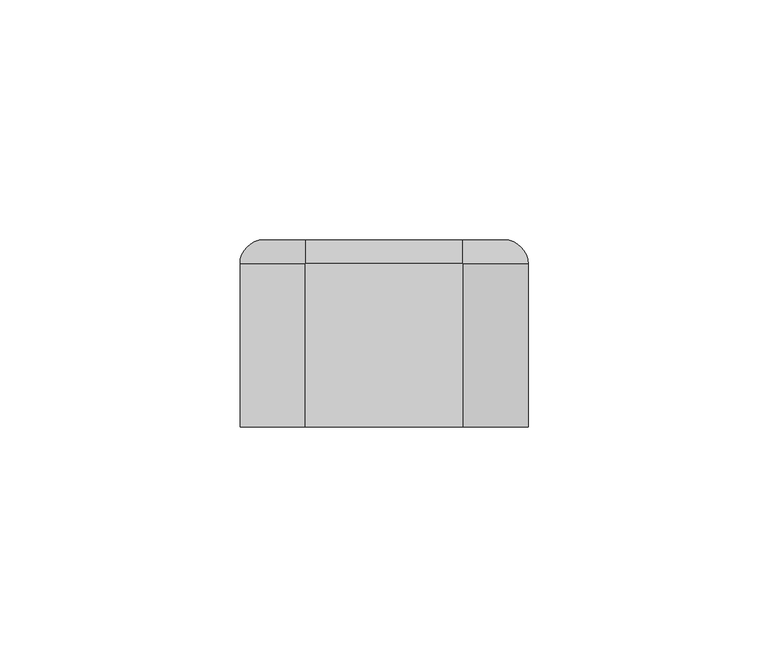
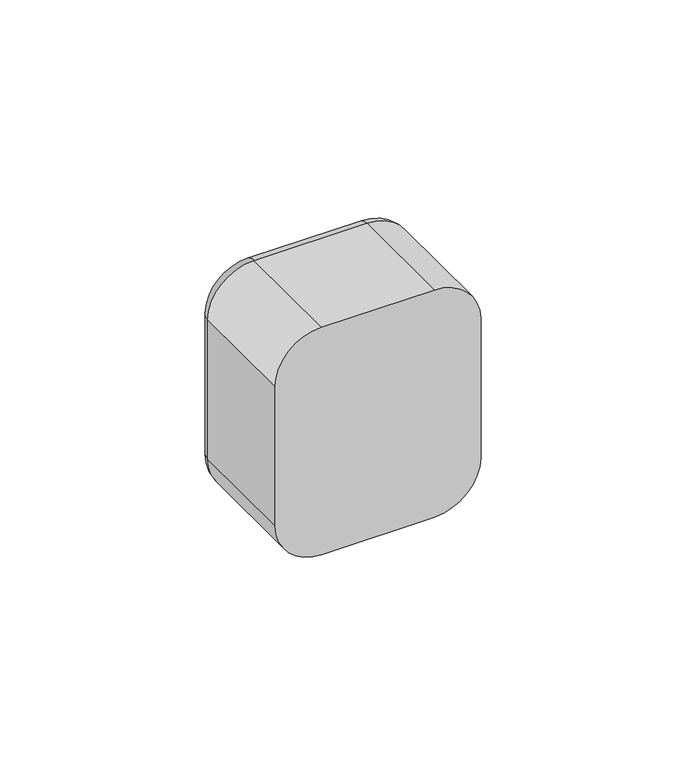
"""IFC4 building model written with IfcOpenShell, lengths in millimetres: electric appliance geometry."""

from ifc_helpers import new_model, si_unit, point, frame, origin, origin_2d, place, context, project, spatial, polyline, circle_curve, ellipse_curve, trimmed, segment, composite_curve, outline, extrude, source, transform, mapped, element, save
from ifc_brep_helpers import plane_surface, cylinder_surface, revolved_surface, advanced_brep


def electric_appliance_2df1f087(model_context):
    return source(origin(), model_context, "Body", "SolidModel", [
        advanced_brep(
        [(16.4328665, 39.0, 30.0), (25.0, 39.0, 21.4328665), (25.0, 39.0, -21.4328665), (16.4328665, 39.0, -30.0), (-16.4328665, 39.0, -30.0), (-25.0, 39.0, -21.4328665), (-25.0, 39.0, 21.4328665), (-16.4328665, 39.0, 30.0), (22.5, 39.0, 22.5), (-22.5, 39.0, 22.5), (-22.5, 39.0, -22.5), (22.5, 39.0, -22.5), (-16.4328665, 0.0, 35.0), (-30.0, 0.0, 21.4328665), (-30.0, 0.0, -21.4328665), (-16.4328665, 0.0, -35.0), (16.4328665, 0.0, -35.0), (30.0, 0.0, -21.4328665), (30.0, 0.0, 21.4328665), (16.4328665, 0.0, 35.0), (22.5, 2.0, -22.5), (22.5, 2.0, 22.5), (-22.5, 2.0, -22.5), (-22.5, 2.0, 22.5), (-30.0, 34.0, 21.4328665), (-30.0, 34.0, -21.4328665), (-16.4328665, 34.0, -35.0), (16.4328665, 34.0, -35.0), (30.0, 34.0, -21.4328665), (30.0, 34.0, 21.4328665), (16.4328665, 34.0000072, 35.0), (-16.4328665, 34.0, 35.0)],
        [
            (0, 1, circle_curve(frame((16.4328665, 39.0, 21.4328665), z_axis=(0.0, 1.0, 0.0), x_axis=(0.0, 0.0, 1.0)), 8.5671335)),
            (1, 2),
            (2, 3, circle_curve(frame((16.4328665, 39.0, -21.4328665), z_axis=(0.0, 1.0, 0.0), x_axis=(1.0, 0.0, 0.0)), 8.5671335)),
            (3, 4),
            (4, 5, circle_curve(frame((-16.4328665, 39.0, -21.4328665), z_axis=(0.0, 1.0, 0.0), x_axis=(0.0, 0.0, -1.0)), 8.5671335)),
            (5, 6),
            (6, 7, circle_curve(frame((-16.4328665, 39.0, 21.4328665), z_axis=(0.0, 1.0, 0.0), x_axis=(-1.0, 0.0, 0.0)), 8.5671335)),
            (7, 0),
            (8, 9),
            (9, 10),
            (10, 11),
            (11, 8),
            (12, 13, circle_curve(frame((-16.4328665, 0.0, 21.4328665), z_axis=(0.0, -1.0, 0.0), x_axis=(1.0, 0.0, 0.0)), 13.5671335)),
            (13, 14),
            (14, 15, circle_curve(frame((-16.4328665, 0.0, -21.4328665), z_axis=(0.0, -1.0, 0.0), x_axis=(1.0, 0.0, 0.0)), 13.5671335)),
            (15, 16),
            (16, 17, circle_curve(frame((16.4328665, 0.0, -21.4328665), z_axis=(0.0, -1.0, 0.0), x_axis=(1.0, 0.0, 0.0)), 13.5671335)),
            (17, 18),
            (18, 19, circle_curve(frame((16.4328665, 0.0, 21.4328665), z_axis=(0.0, -1.0, 0.0), x_axis=(1.0, 0.0, 0.0)), 13.5671335)),
            (19, 12),
            (11, 20),
            (20, 21),
            (21, 8),
            (10, 22),
            (22, 20),
            (9, 23),
            (23, 22),
            (21, 23),
            (13, 24),
            (24, 25),
            (25, 14),
            (15, 26),
            (26, 27),
            (27, 16),
            (17, 28),
            (28, 29),
            (29, 18),
            (19, 30),
            (30, 31),
            (31, 12),
            (31, 24, circle_curve(frame((-16.4328665, 34.0, 21.4328665), z_axis=(0.0, -1.0, 0.0), x_axis=(1.0, 0.0, 0.0)), 13.5671335)),
            (25, 26, circle_curve(frame((-16.4328665, 34.0, -21.4328665), z_axis=(0.0, -1.0, 0.0), x_axis=(1.0, 0.0, 0.0)), 13.5671335)),
            (27, 28, circle_curve(frame((16.4328665, 34.0, -21.4328665), z_axis=(0.0, -1.0, 0.0), x_axis=(1.0, 0.0, 0.0)), 13.5671335)),
            (29, 30, circle_curve(frame((16.4328665, 34.0, 21.4328665), z_axis=(0.0, -1.0, 0.0), x_axis=(1.0, 0.0, 0.0)), 13.5671335)),
            (29, 1, circle_curve(frame((25.0, 34.0, 21.4328665), z_axis=(0.0, 0.0, 1.0), x_axis=(0.0, 1.0, 0.0)), 5.0)),
            (0, 30, circle_curve(frame((16.4328665, 34.0, 30.0), z_axis=(1.0, 0.0, 0.0), x_axis=(0.0, 1.0, 0.0)), 5.0)),
            (28, 2, circle_curve(frame((25.0, 34.0, -21.4328665), z_axis=(0.0, 0.0, 1.0), x_axis=(0.0, 1.0, 0.0)), 5.0)),
            (27, 3, circle_curve(frame((16.4328665, 34.0, -30.0), z_axis=(1.0, 0.0, 0.0), x_axis=(0.0, 1.0, 0.0)), 5.0)),
            (26, 4, circle_curve(frame((-16.4328665, 34.0, -30.0), z_axis=(1.0, 0.0, 0.0), x_axis=(0.0, 1.0, 0.0)), 5.0)),
            (25, 5, circle_curve(frame((-25.0, 34.0, -21.4328665), z_axis=(0.0, 0.0, -1.0), x_axis=(0.0, 1.0, 0.0)), 5.0)),
            (24, 6, circle_curve(frame((-25.0, 34.0, 21.4328665), z_axis=(0.0, 0.0, -1.0), x_axis=(0.0, 1.0, 0.0)), 5.0)),
            (31, 7, circle_curve(frame((-16.4328665, 34.0, 30.0), z_axis=(-1.0, 0.0, 0.0), x_axis=(0.0, 1.0, 0.0)), 5.0)),
        ],
        [
            plane_surface(frame((22.5, 39.0, 6.9412233), z_axis=(0.0, 1.0, 0.0), x_axis=(0.0, 0.0, 1.0))),
            plane_surface(frame((22.5, 0.0, 6.9412233), z_axis=(0.0, -1.0, 0.0), x_axis=(0.0, 0.0, -1.0))),
            plane_surface(frame((22.5, 0.0, 22.5), z_axis=(-1.0, 0.0, 0.0), x_axis=(0.0, 1.0, 0.0))),
            plane_surface(frame((22.5, 0.0, -22.5), z_axis=(0.0, 0.0, 1.0), x_axis=(0.0, 1.0, 0.0))),
            plane_surface(frame((-22.5, 0.0, -22.5), z_axis=(1.0, 0.0, 0.0), x_axis=(0.0, 1.0, 0.0))),
            plane_surface(frame((-22.5, 0.0, 22.5), z_axis=(0.0, 0.0, -1.0), x_axis=(0.0, 1.0, 0.0))),
            plane_surface(frame((-30.0, 0.0, 21.4328665), z_axis=(-1.0, 0.0, 0.0), x_axis=(0.0, 1.0, 0.0))),
            plane_surface(frame((-16.4328665, 0.0, -35.0), z_axis=(0.0, 0.0, -1.0), x_axis=(0.0, 1.0, 0.0))),
            plane_surface(frame((30.0, 0.0, -21.4328665), z_axis=(1.0, 0.0, 0.0), x_axis=(0.0, 1.0, 0.0))),
            plane_surface(frame((16.4328665, 0.0, 35.0), z_axis=(0.0, 0.0, 1.0), x_axis=(0.0, 1.0, 0.0))),
            cylinder_surface(frame((-16.4328665, 0.0, 21.4328665), z_axis=(0.0, -1.0, 0.0), x_axis=(1.0, 0.0, 0.0)), 13.5671335),
            cylinder_surface(frame((-16.4328665, 0.0, -21.4328665), z_axis=(0.0, -1.0, 0.0), x_axis=(1.0, 0.0, 0.0)), 13.5671335),
            cylinder_surface(frame((16.4328665, 0.0, -21.4328665), z_axis=(0.0, -1.0, 0.0), x_axis=(1.0, 0.0, 0.0)), 13.5671335),
            cylinder_surface(frame((16.4328665, 0.0, 21.4328665), z_axis=(0.0, -1.0, 0.0), x_axis=(1.0, 0.0, 0.0)), 13.5671335),
            plane_surface(frame((-22.5, 2.0, 31.0), z_axis=(0.0, 1.0, 0.0), x_axis=(0.0, 0.0, 1.0))),
            revolved_surface(trimmed(ellipse_curve(frame((16.4328665, 34.0, 30.0), z_axis=(-1.0, 0.0, 0.0), x_axis=(0.0, 1.0, 0.0)), 5.0, 5.0), [point((16.4328665, 34.0, 35.0))], [point((16.4328665, 39.0, 30.0))], True, "CARTESIAN"), (16.4328665, 39.0, 21.4328665), (0.0, 1.0, 0.0)),
            cylinder_surface(frame((25.0, 34.0, 21.4328665), z_axis=(0.0, 0.0, -1.0), x_axis=(0.0, 1.0, 0.0)), 5.0),
            revolved_surface(trimmed(ellipse_curve(frame((25.0, 34.0, -21.4328665), z_axis=(0.0, 0.0, 1.0), x_axis=(0.0, 1.0, 0.0)), 5.0, 5.0), [point((30.0, 34.0, -21.4328665))], [point((25.0, 39.0, -21.4328665))], True, "CARTESIAN"), (16.4328665, 39.0, -21.4328665), (0.0, 1.0, 0.0)),
            cylinder_surface(frame((16.4328665, 34.0, -30.0), z_axis=(-1.0, 0.0, 0.0), x_axis=(0.0, 1.0, 0.0)), 5.0),
            revolved_surface(trimmed(ellipse_curve(frame((-16.4328665, 34.0, -30.0), z_axis=(1.0, 0.0, 0.0), x_axis=(0.0, 1.0, 0.0)), 5.0, 5.0), [point((-16.4328665, 34.0, -35.0))], [point((-16.4328665, 39.0, -30.0))], True, "CARTESIAN"), (-16.4328665, 39.0, -21.4328665), (0.0, 1.0, 0.0)),
            cylinder_surface(frame((-25.0, 34.0, -21.4328665), z_axis=(0.0, 0.0, 1.0), x_axis=(0.0, 1.0, 0.0)), 5.0),
            revolved_surface(trimmed(ellipse_curve(frame((-25.0, 34.0, 21.4328665), z_axis=(0.0, 0.0, -1.0), x_axis=(0.0, 1.0, 0.0)), 5.0, 5.0), [point((-30.0, 34.0, 21.4328665))], [point((-25.0, 39.0, 21.4328665))], True, "CARTESIAN"), (-16.4328665, 39.0, 21.4328665), (0.0, 1.0, 0.0)),
            cylinder_surface(frame((-16.4328665, 34.0, 30.0), z_axis=(1.0, 0.0, 0.0), x_axis=(0.0, 1.0, 0.0)), 5.0),
        ],
        [
            (0, [[1, 2, 3, 4, 5, 6, 7, 8], [9, 10, 11, 12]]),
            (1, [[13, 14, 15, 16, 17, 18, 19, 20]]),
            (2, [[-12, 21, 22, 23]]),
            (3, [[-11, 24, 25, -21]]),
            (4, [[-10, 26, 27, -24]]),
            (5, [[-9, -23, 28, -26]]),
            (6, [[-14, 29, 30, 31]]),
            (7, [[-16, 32, 33, 34]]),
            (8, [[-18, 35, 36, 37]]),
            (9, [[-20, 38, 39, 40]]),
            (10, [[-13, -40, 41, -29]]),
            (11, [[-15, -31, 42, -32]]),
            (12, [[-17, -34, 43, -35]]),
            (13, [[-19, -37, 44, -38]]),
            (14, [[-22, -25, -27, -28]]),
            (15, [[45, -1, 46, -44]]),
            (16, [[-45, -36, 47, -2]]),
            (17, [[-47, -43, 48, -3]]),
            (18, [[-48, -33, 49, -4]]),
            (19, [[-49, -42, 50, -5]]),
            (20, [[-50, -30, 51, -6]]),
            (21, [[-51, -41, 52, -7]]),
            (22, [[-46, -8, -52, -39]]),
        ],
    ),
        extrude(outline(polyline([(22.5, 22.5), (22.5, -22.5), (-22.5, -22.5), (-22.5, 22.5), (22.5, 22.5)]), holes=[composite_curve([segment(trimmed(circle_curve(origin_2d(), 6.1), [point((0.0, 6.1))], [point((0.0, -6.1))], True, "CARTESIAN"), True, "CONTINUOUS"), segment(trimmed(circle_curve(origin_2d(), 6.1), [point((0.0, -6.1))], [point((0.0, 6.1))], True, "CARTESIAN"), True, "CONTINUOUS")], self_intersect=False)]), frame((0.0, 31.0, 0.0), z_axis=(0.0, 1.0, 0.0), x_axis=(0.0, 0.0, 1.0)), (0.0, 0.0, 1.0), 8.0),
        extrude(outline(composite_curve([segment(trimmed(circle_curve(origin_2d(), 1.9), [point((0.0, 1.9))], [point((0.0, -1.9))], False, "CARTESIAN"), True, "CONTINUOUS"), segment(trimmed(circle_curve(origin_2d(), 1.9), [point((0.0, -1.9))], [point((0.0, 1.9))], False, "CARTESIAN"), True, "CONTINUOUS")], self_intersect=False), holes=[composite_curve([segment(trimmed(circle_curve(origin_2d(), 1.6), [point((0.0, -1.6))], [point((0.0, 1.6))], True, "CARTESIAN"), True, "CONTINUOUS"), segment(trimmed(circle_curve(origin_2d(), 1.6), [point((0.0, 1.6))], [point((0.0, -1.6))], True, "CARTESIAN"), True, "CONTINUOUS")], self_intersect=False)]), frame((0.0, 31.0, 0.0), z_axis=(0.0, 1.0, 0.0), x_axis=(0.0, 0.0, 1.0)), (0.0, 0.0, 1.0), 8.0),
        extrude(outline(composite_curve([segment(trimmed(circle_curve(origin_2d(), 5.8), [point((0.0, 5.8))], [point((0.0, -5.8))], False, "CARTESIAN"), True, "CONTINUOUS"), segment(trimmed(circle_curve(origin_2d(), 5.8), [point((0.0, -5.8))], [point((0.0, 5.8))], False, "CARTESIAN"), True, "CONTINUOUS")], self_intersect=False), holes=[composite_curve([segment(trimmed(circle_curve(origin_2d(), 5.5), [point((0.0, 5.5))], [point((0.0, -5.5))], True, "CARTESIAN"), True, "CONTINUOUS"), segment(trimmed(circle_curve(origin_2d(), 5.5), [point((0.0, -5.5))], [point((0.0, 5.5))], True, "CARTESIAN"), True, "CONTINUOUS")], self_intersect=False)]), frame((0.0, 31.0, 0.0), z_axis=(0.0, 1.0, 0.0), x_axis=(0.0, 0.0, 1.0)), (0.0, 0.0, 1.0), 8.0),
        extrude(outline(polyline([(22.5, 2.0), (-22.5, 2.0), (-22.5, 31.0), (22.5, 31.0), (22.5, 2.0)])), frame((0.0, 0.0, -22.5), z_axis=(0.0, 0.0, 1.0), x_axis=(1.0, 0.0, 0.0)), (0.0, 0.0, 1.0), 45.0),
    ])


if __name__ == "__main__":
    model = new_model("IFC4")
    model_context = context("Model", 3, world=origin())
    ifc_project = project(units=[si_unit("LENGTHUNIT", "METRE", prefix="MILLI")], contexts=[model_context])
    site = spatial("IfcSite", under=ifc_project)
    building = spatial("IfcBuilding", under=site)
    placement = place(None, origin())
    electric_appliance_shape = electric_appliance_2df1f087(model_context)
    element("IfcElectricAppliance", 1, at=placement, inside=building, context=model_context, shape_type="MappedRepresentation", body=[
        mapped(electric_appliance_shape, transform((0.0, 0.0, 0.0), x_axis=(1.0, 0.0, 0.0), y_axis=(0.0, 1.0, 0.0), z_axis=(0.0, 0.0, 1.0))),
    ])
    save(model, "model.ifc")
